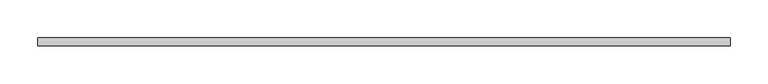
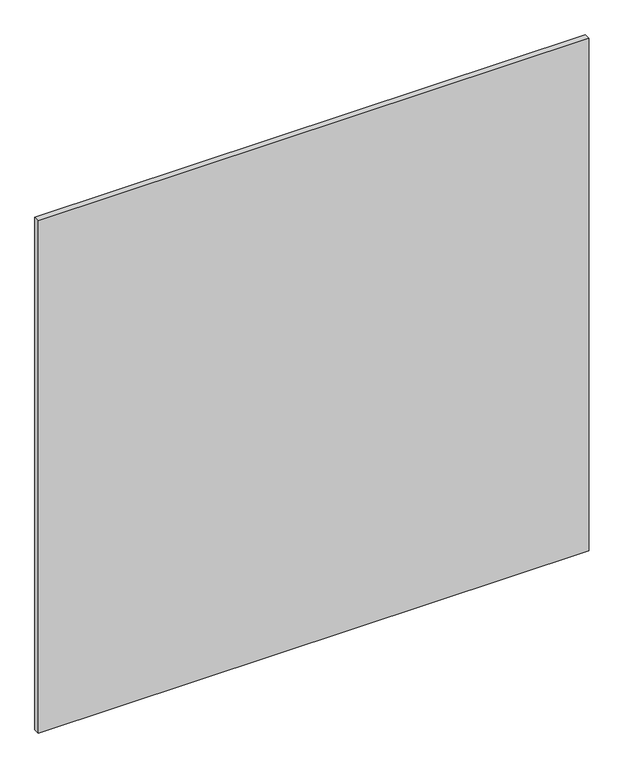
"""IFC4 building model written with IfcOpenShell, lengths in millimetres: plate geometry."""

from ifc_helpers import new_model, si_unit, origin, origin_with_axes, place, context, project, spatial, polyline, outline, extrude, source, transform, mapped, element, save


def plate_124ed42e(model_context):
    return source(origin(), model_context, "Body", "SweptSolid", [
        extrude(outline(polyline([(456.0, 5.0), (456.0, -5.0), (-456.0, -5.0), (-456.0, 5.0), (456.0, 5.0)])), origin_with_axes(), (0.0, 0.0, 1.0), 897.0),
    ])


if __name__ == "__main__":
    model = new_model("IFC4")
    model_context = context("Model", 3, world=origin())
    ifc_project = project(units=[si_unit("LENGTHUNIT", "METRE", prefix="MILLI")], contexts=[model_context])
    site = spatial("IfcSite", under=ifc_project)
    building = spatial("IfcBuilding", under=site)
    placement = place(None, origin())
    plate_shape = plate_124ed42e(model_context)
    element("IfcPlate", 1, at=placement, inside=building, context=model_context, shape_type="MappedRepresentation", body=[
        mapped(plate_shape, transform((0.0, 0.0, 0.0), x_axis=(1.0, 0.0, 0.0), y_axis=(0.0, 1.0, 0.0), z_axis=(0.0, 0.0, 1.0))),
    ])
    save(model, "model.ifc")
